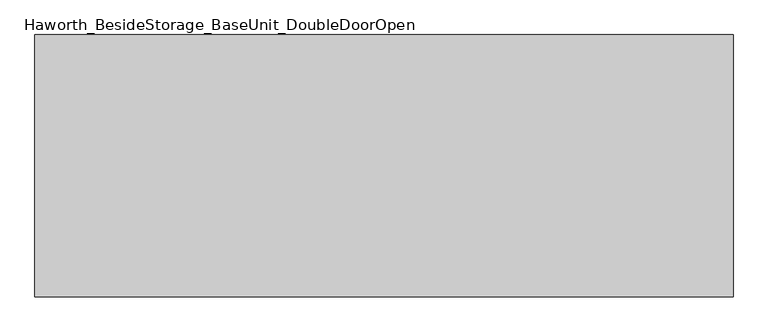
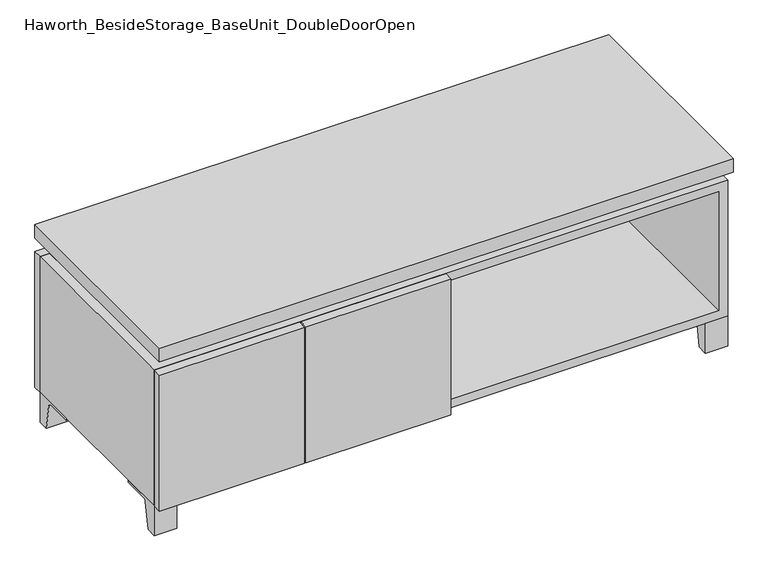
"""IFC4 building model written with IfcOpenShell, lengths in millimetres: furniture geometry, Haworth_BesideStorage_BaseUnit_DoubleDoorOpen."""

from ifc_helpers import new_model, si_unit, point, frame, frame_2d, origin, place, context, project, spatial, polyline, circle_curve, trimmed, segment, composite_curve, outline, extrude, faceted_brep, source, transform, mapped, element, save


def haworth_besidestorage_baseunit_doubledooropen_398be4db(model_context):
    return source(origin(), model_context, "Body", "SolidModel", [
        extrude(outline(composite_curve([segment(polyline([(44.9791531, 0.0), (22.225, 0.0), (22.225, 66.675), (117.475, 66.675), (117.475, 61.8963321), (60.6744655, 61.8963321)]), True, "CONTINUOUS"), segment(trimmed(circle_curve(frame_2d((60.6744655, 55.5463321)), 6.35), [point((60.6744655, 61.8963321))], [point((54.4108641, 56.5902656))], True, "CARTESIAN"), True, "CONTINUOUS"), segment(polyline([(54.4108641, 56.5902656), (44.9791531, 0.0)]), True, "CONTINUOUS")], self_intersect=False)), frame((-23.7986094, 0.0, 0.0), z_axis=(1.0, 0.0, 0.0), x_axis=(0.0, 1.0, 0.0)), (0.0, 0.0, 1.0), 47.625),
        extrude(outline(composite_curve([segment(polyline([(-123.2958469, 0.0), (-146.05, 0.0), (-146.05, 66.675), (-50.8, 66.675), (-50.8, 61.8963321), (-107.6005345, 61.8963321)]), True, "CONTINUOUS"), segment(trimmed(circle_curve(frame_2d((-107.6005345, 55.5463321)), 6.35), [point((-107.6005345, 61.8963321))], [point((-113.8641359, 56.5902656))], True, "CARTESIAN"), True, "CONTINUOUS"), segment(polyline([(-113.8641359, 56.5902656), (-123.2958469, 0.0)]), True, "CONTINUOUS")], self_intersect=False)), frame((560.4013906, 0.0, 0.0), z_axis=(1.0, 0.0, 0.0), x_axis=(0.0, 1.0, 0.0)), (0.0, 0.0, 1.0), 47.625),
        extrude(outline(composite_curve([segment(polyline([(250.2958469, 0.0), (240.8641359, 56.5902656)]), True, "CONTINUOUS"), segment(trimmed(circle_curve(frame_2d((234.6005345, 55.5463321)), 6.35), [point((240.8641359, 56.5902656))], [point((234.6005345, 61.8963321))], True, "CARTESIAN"), True, "CONTINUOUS"), segment(polyline([(234.6005345, 61.8963321), (177.8, 61.8963321), (177.8, 66.675), (273.05, 66.675), (273.05, 0.0), (250.2958469, 0.0)]), True, "CONTINUOUS")], self_intersect=False)), frame((560.4013906, 0.0, 0.0), z_axis=(1.0, 0.0, 0.0), x_axis=(0.0, 1.0, 0.0)), (0.0, 0.0, 1.0), 47.625),
        extrude(outline(composite_curve([segment(polyline([(-123.2958469, 0.0), (-146.05, 0.0), (-146.05, 66.675), (-50.8, 66.675), (-50.8, 61.8963321), (-107.6005345, 61.8963321)]), True, "CONTINUOUS"), segment(trimmed(circle_curve(frame_2d((-107.6005345, 55.5463321)), 6.35), [point((-107.6005345, 61.8963321))], [point((-113.8641359, 56.5902656))], True, "CARTESIAN"), True, "CONTINUOUS"), segment(polyline([(-113.8641359, 56.5902656), (-123.2958469, 0.0)]), True, "CONTINUOUS")], self_intersect=False)), frame((-607.9986094, 0.0, 0.0), z_axis=(1.0, 0.0, 0.0), x_axis=(0.0, 1.0, 0.0)), (0.0, 0.0, 1.0), 47.625),
        extrude(outline(composite_curve([segment(polyline([(250.2958469, 0.0), (240.8641359, 56.5902656)]), True, "CONTINUOUS"), segment(trimmed(circle_curve(frame_2d((234.6005345, 55.5463321)), 6.35), [point((240.8641359, 56.5902656))], [point((234.6005345, 61.8963321))], True, "CARTESIAN"), True, "CONTINUOUS"), segment(polyline([(234.6005345, 61.8963321), (177.8, 61.8963321), (177.8, 66.675), (273.05, 66.675), (273.05, 0.0), (250.2958469, 0.0)]), True, "CONTINUOUS")], self_intersect=False)), frame((-607.9986094, 0.0, 0.0), z_axis=(1.0, 0.0, 0.0), x_axis=(0.0, 1.0, 0.0)), (0.0, 0.0, 1.0), 47.625),
        faceted_brep([(-607.9986094, -146.05, 66.675), (608.0125, -146.05, 66.675), (608.0125, -146.05, 371.475), (-607.9986094, -146.05, 371.475), (-588.9486094, -146.05, 85.725), (-588.9486094, -146.05, 352.425), (588.9694453, -146.05, 352.425), (588.9486094, -146.05, 85.725), (-607.9986094, 273.05, 66.675), (-607.9986094, 273.05, 371.475), (-588.9486094, 273.05, 371.475), (-588.9486094, 273.05, 85.725), (588.9486094, 273.05, 85.725), (588.9486094, 273.05, 371.475), (608.0125, 273.05, 371.475), (608.0125, 273.05, 66.675), (588.9486094, 247.65, 371.475), (-588.9416641, 247.65, 371.475), (-588.9486094, 247.65, 352.425), (588.9486094, 247.65, 352.425)], [[[0, 1, 2, 3], [4, 5, 6, 7]], [[8, 9, 10, 11, 12, 13, 14, 15]], [[1, 0, 8, 15]], [[2, 1, 15, 14]], [[3, 2, 14, 13, 16, 17, 10, 9]], [[0, 3, 9, 8]], [[11, 10, 17, 18, 5, 4]], [[13, 12, 7, 6, 19, 16]], [[4, 7, 12, 11]], [[6, 5, 18, 19]], [[17, 16, 19, 18]]]),
        extrude(outline(polyline([(608.0263906, -165.1), (-607.9986094, -165.1), (-607.9986094, 292.1), (608.0263906, 292.1), (608.0263906, -165.1)])), frame((0.0, 0.0, 401.6375), z_axis=(0.0, 0.0, 1.0), x_axis=(1.0, 0.0, 0.0)), (0.0, 0.0, 1.0), 30.1625),
        faceted_brep([(7.9513906, -69.85, 401.6375), (7.9513906, -69.85, 371.475), (7.9513906, 53.975, 371.475), (7.9513906, 53.975, 401.6375), (7.9513906, 196.85, 371.475), (7.9513906, 196.85, 401.6375), (7.9513906, 73.025, 401.6375), (7.9513906, 73.025, 371.475), (-7.9236094, 196.85, 401.6375), (-7.9236094, 196.85, 371.475), (-7.9236094, 73.025, 371.475), (-7.9236094, 73.025, 401.6375), (-7.9236094, -69.85, 371.475), (-7.9236094, -69.85, 401.6375), (-7.9236094, 53.975, 401.6375), (-7.9236094, 53.975, 371.475), (-566.6958281, 73.025, 401.6375), (-566.7166641, 247.65, 401.6375), (-582.5916641, 247.65, 401.6375), (-582.5916641, -120.65, 401.6375), (-566.7166641, -120.65, 401.6375), (-566.7166641, 53.975, 401.6375), (566.7236094, 53.975, 401.6375), (566.7236094, -120.65, 401.6375), (582.5986094, -120.65, 401.6375), (582.5986094, 247.65, 401.6375), (566.7236094, 247.65, 401.6375), (566.7236094, 73.025, 401.6375), (-566.6958281, 53.975, 371.475), (-566.7166641, -120.65, 371.475), (-582.5916641, -120.65, 371.475), (-582.5916641, 247.65, 371.475), (-566.7166641, 247.65, 371.475), (-566.7166641, 73.025, 371.475), (566.7236094, 73.025, 371.475), (566.7236094, 247.65, 371.475), (582.5986094, 247.65, 371.475), (582.5986094, -120.65, 371.475), (566.7236094, -120.65, 371.475), (566.7236094, 53.975, 371.475)], [[[0, 1, 2, 3]], [[4, 5, 6, 7]], [[8, 9, 10, 11]], [[12, 13, 14, 15]], [[5, 8, 11, 16, 17, 18, 19, 20, 21, 14, 13, 0, 3, 22, 23, 24, 25, 26, 27, 6]], [[1, 12, 15, 28, 29, 30, 31, 32, 33, 10, 9, 4, 7, 34, 35, 36, 37, 38, 39, 2]], [[5, 4, 9, 8]], [[1, 0, 13, 12]], [[6, 27, 34, 7]], [[22, 3, 2, 39]], [[20, 29, 28, 21]], [[32, 17, 16, 33]], [[18, 31, 30, 19]], [[29, 20, 19, 30]], [[17, 32, 31, 18]], [[26, 35, 34, 27]], [[38, 23, 22, 39]], [[25, 24, 37, 36]], [[23, 38, 37, 24]], [[35, 26, 25, 36]], [[16, 11, 10, 33]], [[14, 21, 28, 15]]]),
        extrude(outline(polyline([(9.5388906, 203.2), (9.5388906, -146.05), (-9.5111094, -146.05), (-9.5111094, 203.2), (9.5388906, 203.2)])), frame((0.0, 0.0, 85.725), z_axis=(0.0, 0.0, 1.0), x_axis=(1.0, 0.0, 0.0)), (0.0, 0.0, 1.0), 266.7),
        extrude(outline(polyline([(608.0263906, 273.05), (-607.9986094, 273.05), (-607.9986094, 292.1), (608.0263906, 292.1), (608.0263906, 273.05)])), frame((0.0, 0.0, 66.675), z_axis=(0.0, 0.0, 1.0), x_axis=(1.0, 0.0, 0.0)), (0.0, 0.0, 1.0), 304.8),
        extrude(outline(polyline([(-588.9416641, 203.2), (-588.9416641, 209.55), (588.9694453, 209.55), (588.9694453, 203.2), (-588.9416641, 203.2)])), frame((0.0, 0.0, 85.725), z_axis=(0.0, 0.0, 1.0), x_axis=(1.0, 0.0, 0.0)), (0.0, 0.0, 1.0), 266.7),
        extrude(outline(polyline([(9.5388906, -165.1), (-297.6423594, -165.1), (-297.6423594, -146.05), (9.5388906, -146.05), (9.5388906, -165.1)])), frame((0.0, 0.0, 66.675), z_axis=(0.0, 0.0, 1.0), x_axis=(1.0, 0.0, 0.0)), (0.0, 0.0, 1.0), 304.8),
        extrude(outline(polyline([(-300.8173594, -165.1), (-607.9986094, -165.1), (-607.9986094, -146.05), (-300.8173594, -146.05), (-300.8173594, -165.1)])), frame((0.0, 0.0, 66.675), z_axis=(0.0, 0.0, 1.0), x_axis=(1.0, 0.0, 0.0)), (0.0, 0.0, 1.0), 304.8),
    ])


if __name__ == "__main__":
    model = new_model("IFC4")
    model_context = context("Model", 3, world=origin())
    ifc_project = project(units=[si_unit("LENGTHUNIT", "METRE", prefix="MILLI")], contexts=[model_context])
    site = spatial("IfcSite", under=ifc_project)
    building = spatial("IfcBuilding", under=site)
    placement = place(None, origin())
    haworth_besidestorage_baseunit_doubledooropen_shape = haworth_besidestorage_baseunit_doubledooropen_398be4db(model_context)
    element("IfcFurniture", 1, ObjectType="Haworth_BesideStorage_BaseUnit_DoubleDoorOpen", at=placement, inside=building, context=model_context, shape_type="MappedRepresentation", body=[
        mapped(haworth_besidestorage_baseunit_doubledooropen_shape, transform((0.0, 0.0, 0.0), x_axis=(1.0, 0.0, 0.0), y_axis=(0.0, 1.0, 0.0), z_axis=(0.0, 0.0, 1.0))),
    ])
    save(model, "model.ifc")
